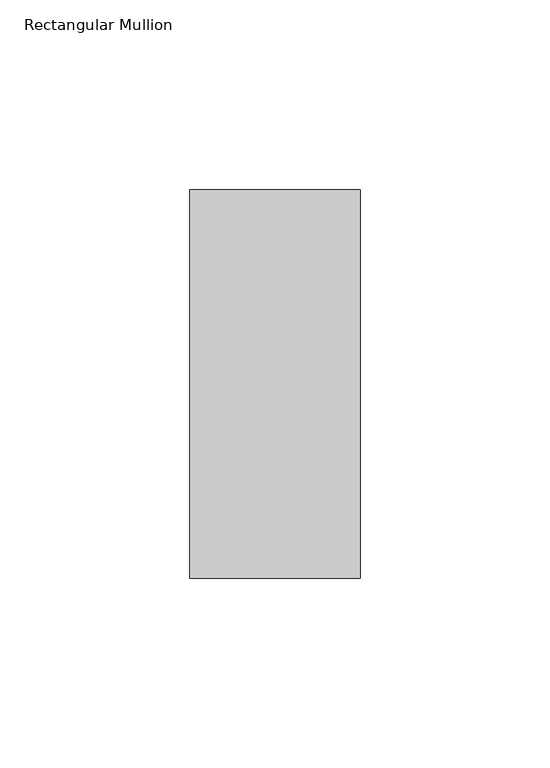
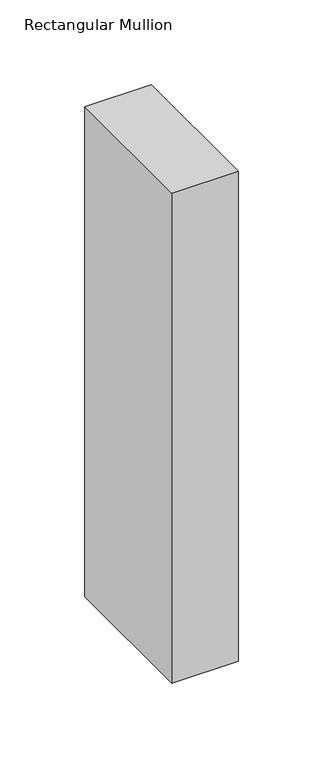
"""IFC4 building model written with IfcOpenShell, lengths in millimetres: member geometry, Rectangular Mullion."""

from ifc_helpers import new_model, si_unit, frame, origin, place, context, project, spatial, polyline, outline, extrude, source, transform, mapped, element, save


def rectangular_mullion_04fe68e6(model_context):
    return source(origin(), model_context, "Body", "SweptSolid", [
        extrude(outline(polyline([(0.0, 66.73125), (0.0, -35.73125), (-45.0, -35.73125), (-45.0, 66.73125), (0.0, 66.73125)])), frame((0.0, 0.0, -352.1429689), z_axis=(0.0, 0.0, 1.0), x_axis=(1.0, 0.0, 0.0)), (0.0, 0.0, 1.0), 352.1429689),
    ])


if __name__ == "__main__":
    model = new_model("IFC4")
    model_context = context("Model", 3, world=origin())
    ifc_project = project(units=[si_unit("LENGTHUNIT", "METRE", prefix="MILLI")], contexts=[model_context])
    site = spatial("IfcSite", under=ifc_project)
    building = spatial("IfcBuilding", under=site)
    placement = place(None, origin())
    rectangular_mullion_shape = rectangular_mullion_04fe68e6(model_context)
    element("IfcMember", 1, ObjectType="Rectangular Mullion", at=placement, inside=building, context=model_context, shape_type="MappedRepresentation", body=[
        mapped(rectangular_mullion_shape, transform((0.0, 0.0, 0.0), x_axis=(1.0, 0.0, 0.0), y_axis=(0.0, 1.0, 0.0), z_axis=(0.0, 0.0, 1.0))),
    ])
    save(model, "model.ifc")
